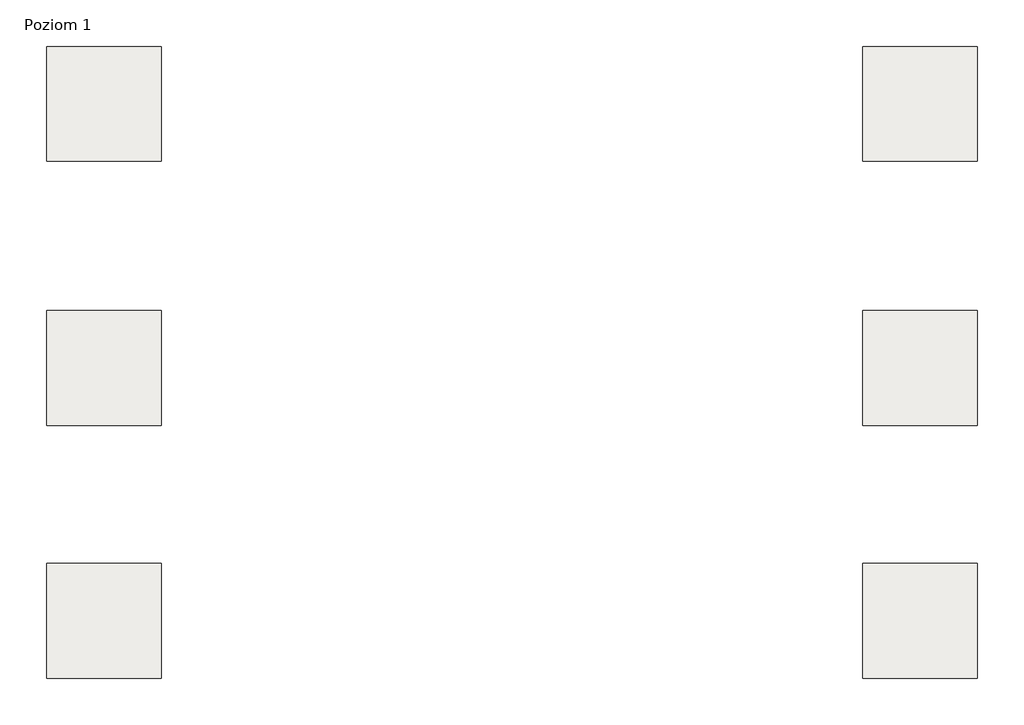
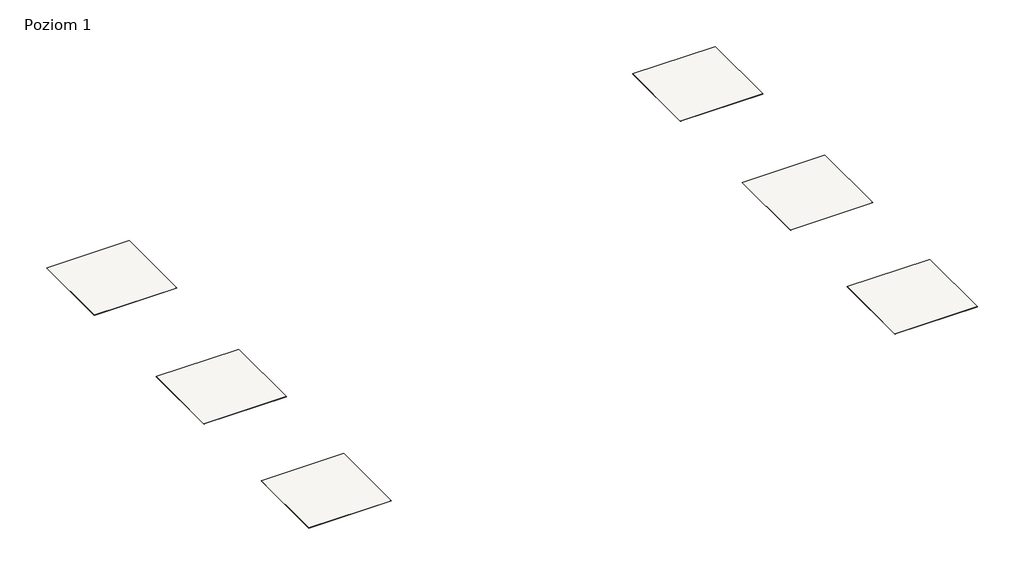
# One storey: 7 slabs.
"""IFC4 building model written with IfcOpenShell, lengths in millimetres."""

import ifcopenshell
import ifcopenshell.guid

model = None  # the IFC model being written
_history = None  # IfcOwnerHistory: only IFC2X3 demands one
_inside = {}  # id of a spatial element -> (the spatial element, [elements in it])
_under = {}  # id of a project, library or spatial element -> (it, [spatial elements below it])
_declared = {}  # id of a project -> (the project, [libraries it declares])
_typed = {}  # id of a type object -> (the type object, [elements of that type])
_made_of = {}  # id of a material, layer set ... -> (it, [elements and type objects made of it])


def new_model(schema):
    """Start an empty IFC model of exactly this schema.

    Asked for "IFC4X3", IfcOpenShell would pick the latest addendum, in which some entities
    have other attributes; the version numbers below select the first issue.
    IFC2X3 requires an IfcOwnerHistory on every rooted entity: one is made here for all.
    """
    global model, _history
    if schema == "IFC4X3":
        model = ifcopenshell.file(schema_version=(4, 3, 0, 0))
    else:
        model = ifcopenshell.file(schema=schema)
    _inside.clear()
    _under.clear()
    _declared.clear()
    _typed.clear()
    _made_of.clear()
    _history = None
    if model.schema == "IFC2X3":
        org = make("IfcOrganization", Name="unknown")
        user = make(
            "IfcPersonAndOrganization",
            ThePerson=make("IfcPerson", FamilyName="unknown"),
            TheOrganization=org,
        )
        app = make(
            "IfcApplication",
            ApplicationDeveloper=org,
            Version="unknown",
            ApplicationFullName="unknown",
            ApplicationIdentifier="unknown",
        )
        _history = make(
            "IfcOwnerHistory",
            OwningUser=user,
            OwningApplication=app,
            ChangeAction="ADDED",
            CreationDate=0,
        )
    return model


def make(cls, **values):
    """One entity of the class cls with the attributes given. An attribute that is None is left unset."""
    return model.create_entity(
        cls, **{name: value for name, value in values.items() if value is not None}
    )


def rooted(cls, **values):
    """An entity with a GlobalId (a new one), such as an element, a storey or a relation."""
    return make(cls, GlobalId=ifcopenshell.guid.new(), OwnerHistory=_history, **values)


def si_unit(unit_type, name, prefix=None):
    """IfcSIUnit, for example si_unit("LENGTHUNIT", "METRE", prefix="MILLI")."""
    return make("IfcSIUnit", UnitType=unit_type, Prefix=prefix, Name=name)


def assignment(units):
    """IfcUnitAssignment: the units of a project."""
    return None if units is None else make("IfcUnitAssignment", Units=units)


def point(xyz):
    """IfcCartesianPoint."""
    return None if xyz is None else make("IfcCartesianPoint", Coordinates=xyz)


def direction(xyz):
    """IfcDirection."""
    return None if xyz is None else make("IfcDirection", DirectionRatios=xyz)


def frame(location, z_axis=None, x_axis=None):
    """IfcAxis2Placement3D, a coordinate frame: its origin and axes. An axis left out is left unset."""
    return make(
        "IfcAxis2Placement3D",
        Location=point(location),
        Axis=direction(z_axis),
        RefDirection=direction(x_axis),
    )


def origin():
    """The frame at (0, 0, 0) with its axes left unset."""
    return frame((0.0, 0.0, 0.0))


def place(relative_to, where):
    """IfcLocalPlacement: puts the frame where relative to a parent placement (None: the world)."""
    return make(
        "IfcLocalPlacement", PlacementRelTo=relative_to, RelativePlacement=where
    )


def context(
    kind, dimensions, precision=None, world=None, true_north=None, identifier=None
):
    """IfcGeometricRepresentationContext, for example the 3D "Model" context."""
    return make(
        "IfcGeometricRepresentationContext",
        ContextIdentifier=identifier,
        ContextType=kind,
        CoordinateSpaceDimension=dimensions,
        Precision=precision,
        WorldCoordinateSystem=world,
        TrueNorth=true_north,
    )


def project(units=None, contexts=None):
    """IfcProject with its units and contexts."""
    return rooted(
        "IfcProject",
        Name="project",
        RepresentationContexts=contexts,
        UnitsInContext=assignment(units),
    )


def spatial(cls, under=None, at=None, **own):
    """A site, building, storey or space (cls), placed at a placement, below another one or the project."""
    s = rooted(cls, ObjectPlacement=at, **own)
    if under is not None:
        _under.setdefault(under.id(), (under, []))[1].append(s)
    return s


def polyline(points):
    """IfcPolyline through the points."""
    return make("IfcPolyline", Points=[point(p) for p in points])


def outline(outer, holes=None, kind="AREA"):
    """IfcArbitraryClosedProfileDef: a profile drawn as a closed curve; with holes, ...WithVoids."""
    if holes is None:
        return make("IfcArbitraryClosedProfileDef", ProfileType=kind, OuterCurve=outer)
    return make(
        "IfcArbitraryProfileDefWithVoids",
        ProfileType=kind,
        OuterCurve=outer,
        InnerCurves=holes,
    )


def extrude(swept, where, along, depth):
    """IfcExtrudedAreaSolid: the profile swept, set in the frame where, extruded along a direction by depth."""
    return make(
        "IfcExtrudedAreaSolid",
        SweptArea=swept,
        Position=where,
        ExtrudedDirection=direction(along),
        Depth=depth,
    )


def shape(context_of_items, identifier, shape_type, items):
    """IfcShapeRepresentation: the items that make up one representation, for example the "Body"."""
    return make(
        "IfcShapeRepresentation",
        ContextOfItems=context_of_items,
        RepresentationIdentifier=identifier,
        RepresentationType=shape_type,
        Items=items,
    )


def made_of(thing, what):
    """Note that an element or type object is made of a material, layer set ...; save() writes the relation."""
    if what is not None:
        _made_of.setdefault(what.id(), (what, []))[1].append(thing)
    return thing


def element(
    cls,
    number,
    at=None,
    inside=None,
    cuts=None,
    type_object=None,
    material=None,
    context=None,
    identifier="Body",
    shape_type=None,
    held_by="IfcProductDefinitionShape",
    body=None,
    shapes=None,
    **own,
):
    """One element of the class cls, such as IfcWall. Its Tag is "e" and its number.

    at: its placement. inside: the storey or other place that contains it. cuts: it is an
    opening in that element (IfcRelVoidsElement). A single representation is given by context,
    identifier, shape_type and body (its items); several are given by shapes. held_by: the class
    of the entity that holds the representations. save() writes the other relations.
    """
    e = rooted(cls, Tag="e%d" % number, ObjectPlacement=at, **own)
    if body is not None:
        shapes = [shape(context, identifier, shape_type, body)]
    if shapes is not None:
        e.Representation = make(held_by, Representations=shapes)
    if inside is not None:
        _inside.setdefault(inside.id(), (inside, []))[1].append(e)
    if cuts is not None:
        rooted(
            "IfcRelVoidsElement", RelatingBuildingElement=cuts, RelatedOpeningElement=e
        )
    if type_object is not None:
        _typed.setdefault(type_object.id(), (type_object, []))[1].append(e)
    return made_of(e, material)


def aggregate(whole, parts):
    """IfcRelAggregates: a whole, such as a stair, and the parts it consists of."""
    return rooted("IfcRelAggregates", RelatingObject=whole, RelatedObjects=parts)


def save(model, path):
    """Write the relations noted so far, then the file.

    IfcRelAggregates (storeys below a building ...), IfcRelContainedInSpatialStructure (elements
    in a storey), IfcRelDefinesByType, IfcRelAssociatesMaterial and IfcRelDeclares: one each for
    every whole, place, type object, material and project.
    """
    for whole, parts in _under.values():
        aggregate(whole, parts)
    for where, things in _inside.values():
        rooted(
            "IfcRelContainedInSpatialStructure",
            RelatedElements=things,
            RelatingStructure=where,
        )
    for kind, things in _typed.values():
        rooted("IfcRelDefinesByType", RelatedObjects=things, RelatingType=kind)
    for what, things in _made_of.values():
        rooted("IfcRelAssociatesMaterial", RelatedObjects=things, RelatingMaterial=what)
    for by, libraries in _declared.values():
        rooted("IfcRelDeclares", RelatingContext=by, RelatedDefinitions=libraries)
    model.write(path)


model = new_model("IFC4")

# Units and contexts
model_context = context("Model", 3, world=origin())
ifc_project = project(units=[si_unit("LENGTHUNIT", "METRE", prefix="MILLI")], contexts=[model_context])

# Site, building, storey
site = spatial("IfcSite", under=ifc_project)
building = spatial("IfcBuilding", under=site)
storey = spatial("IfcBuildingStorey", under=building, Name="Poziom 1", Elevation=0.0)

# Slabs
placement = place(None, origin())
element("IfcSlab", 1, at=placement, inside=storey, context=model_context, shape_type="SweptSolid", body=[
    extrude(outline(polyline([(3036.5009197, 24640.1445193), (3036.5009197, 23640.1445193), (2036.5009197, 23640.1445193), (2036.5009197, 24640.1445193), (3036.5009197, 24640.1445193)])), frame((0.0, 0.0, -1.6), z_axis=(0.0, 0.0, 1.0), x_axis=(1.0, 0.0, 0.0)), (0.0, 0.0, 1.0), 1.6),
])
element("IfcSlab", 2, at=placement, inside=storey, context=model_context, shape_type="SweptSolid", body=[
    extrude(outline(polyline([(3036.5009197, 24640.1445193), (3036.5009197, 23640.1445193), (2036.5009197, 23640.1445193), (2036.5009197, 24640.1445193), (3036.5009197, 24640.1445193)])), frame((0.0, 0.0, -2.0), z_axis=(0.0, 0.0, 1.0), x_axis=(1.0, 0.0, 0.0)), (0.0, 0.0, 1.0), 2.0),
])
element("IfcSlab", 3, at=placement, inside=storey, context=model_context, shape_type="SweptSolid", body=[
    extrude(outline(polyline([(3036.5009197, 22340.1445193), (3036.5009197, 21340.1445193), (2036.5009197, 21340.1445193), (2036.5009197, 22340.1445193), (3036.5009197, 22340.1445193)])), frame((0.0, 0.0, -2.0), z_axis=(0.0, 0.0, 1.0), x_axis=(1.0, 0.0, 0.0)), (0.0, 0.0, 1.0), 2.0),
])
element("IfcSlab", 4, at=placement, inside=storey, context=model_context, shape_type="SweptSolid", body=[
    extrude(outline(polyline([(3036.5009197, 20140.1445193), (3036.5009197, 19140.1445193), (2036.5009197, 19140.1445193), (2036.5009197, 20140.1445193), (3036.5009197, 20140.1445193)])), frame((0.0, 0.0, -2.0), z_axis=(0.0, 0.0, 1.0), x_axis=(1.0, 0.0, 0.0)), (0.0, 0.0, 1.0), 2.0),
])
element("IfcSlab", 5, at=placement, inside=storey, context=model_context, shape_type="SweptSolid", body=[
    extrude(outline(polyline([(10136.5009197, 24640.1445193), (10136.5009197, 23640.1445193), (9136.5009197, 23640.1445193), (9136.5009197, 24640.1445193), (10136.5009197, 24640.1445193)])), frame((0.0, 0.0, -2.0), z_axis=(0.0, 0.0, 1.0), x_axis=(1.0, 0.0, 0.0)), (0.0, 0.0, 1.0), 2.0),
])
element("IfcSlab", 6, at=placement, inside=storey, context=model_context, shape_type="SweptSolid", body=[
    extrude(outline(polyline([(10136.5009197, 22340.1445193), (10136.5009197, 21340.1445193), (9136.5009197, 21340.1445193), (9136.5009197, 22340.1445193), (10136.5009197, 22340.1445193)])), frame((0.0, 0.0, -2.0), z_axis=(0.0, 0.0, 1.0), x_axis=(1.0, 0.0, 0.0)), (0.0, 0.0, 1.0), 2.0),
])
element("IfcSlab", 7, at=placement, inside=storey, context=model_context, shape_type="SweptSolid", body=[
    extrude(outline(polyline([(10136.5009197, 20140.1445193), (10136.5009197, 19140.1445193), (9136.5009197, 19140.1445193), (9136.5009197, 20140.1445193), (10136.5009197, 20140.1445193)])), frame((0.0, 0.0, -2.0), z_axis=(0.0, 0.0, 1.0), x_axis=(1.0, 0.0, 0.0)), (0.0, 0.0, 1.0), 2.0),
])

save(model, "model.ifc")
